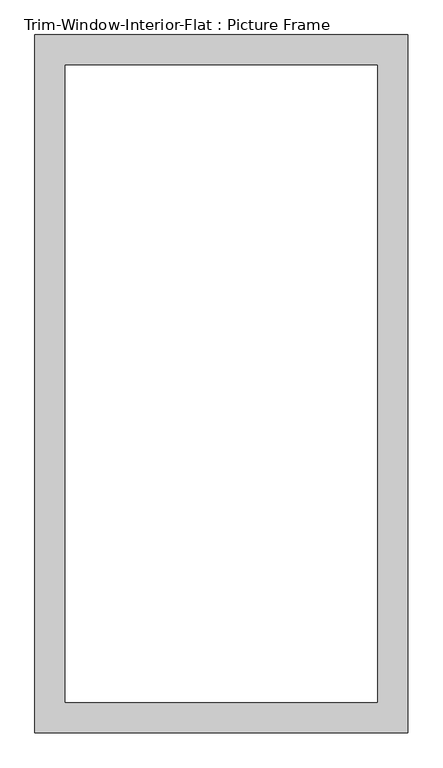
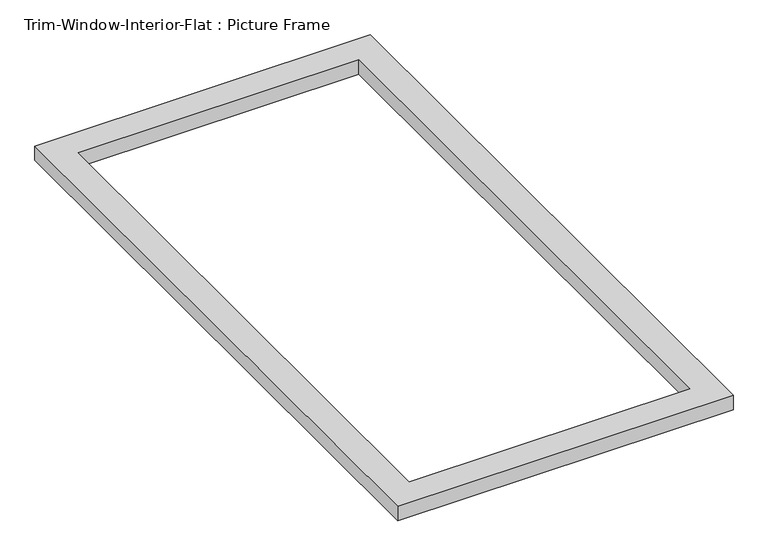
"""IFC4 building model written with IfcOpenShell, lengths in millimetres: proxy geometry, Trim-Window-Interior-Flat : Picture Frame."""

from ifc_helpers import new_model, si_unit, origin, origin_with_axes, place, context, project, spatial, polyline, outline, extrude, source, transform, mapped, element, save


def trim_window_interior_flat_picture_frame_e16bff95(model_context):
    return source(origin(), model_context, "Body", "SweptSolid", [
        extrude(outline(polyline([(349.25, 44.45), (349.25, -1263.65), (-349.25, -1263.65), (-349.25, 44.45), (349.25, 44.45)]), holes=[polyline([(292.1, -12.7), (-292.1, -12.7), (-292.1, -1206.5), (292.1, -1206.5), (292.1, -12.7)])]), origin_with_axes(), (0.0, 0.0, 1.0), 31.75),
    ])


if __name__ == "__main__":
    model = new_model("IFC4")
    model_context = context("Model", 3, world=origin())
    ifc_project = project(units=[si_unit("LENGTHUNIT", "METRE", prefix="MILLI")], contexts=[model_context])
    site = spatial("IfcSite", under=ifc_project)
    building = spatial("IfcBuilding", under=site)
    placement = place(None, origin())
    trim_window_interior_flat_picture_frame_shape = trim_window_interior_flat_picture_frame_e16bff95(model_context)
    element("IfcBuildingElementProxy", 1, Name="Trim-Window-Interior-Flat : Picture Frame", ObjectType="Trim-Window-Interior-Flat : Picture Frame", at=placement, inside=building, context=model_context, shape_type="MappedRepresentation", body=[
        mapped(trim_window_interior_flat_picture_frame_shape, transform((0.0, 0.0, 0.0), x_axis=(1.0, 0.0, 0.0), y_axis=(0.0, 1.0, 0.0), z_axis=(0.0, 0.0, 1.0))),
    ])
    save(model, "model.ifc")
